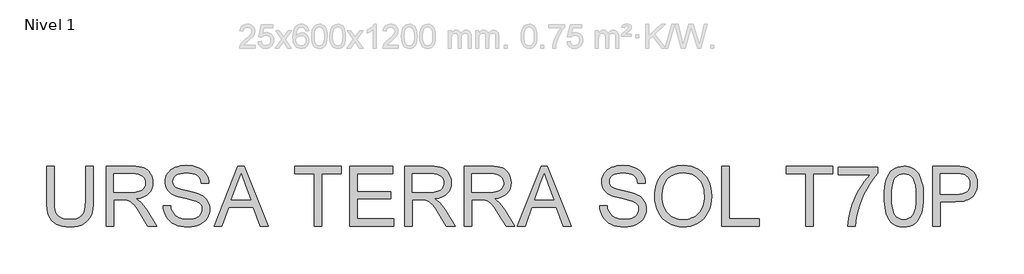
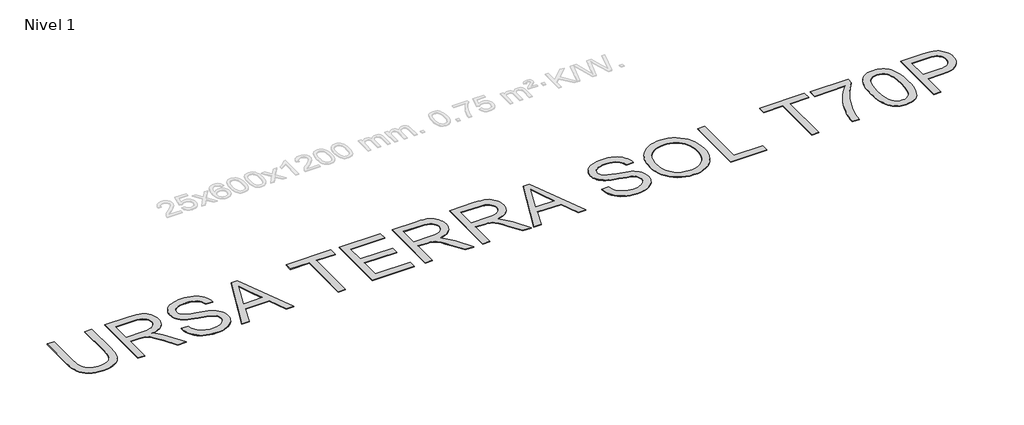
# One storey, part 2 of 3: 1 proxy.
"""IFC4 building model written with IfcOpenShell, lengths in millimetres."""

from ifc_helpers import new_model, si_unit, origin, origin_with_axes, place, context, project, spatial, polyline, outline, extrude, element, save

model = new_model("IFC4")

# Units and contexts
model_context = context("Model", 3, world=origin())
ifc_project = project(units=[si_unit("LENGTHUNIT", "METRE", prefix="MILLI")], contexts=[model_context])

# Site, building, storey
site = spatial("IfcSite", under=ifc_project)
building = spatial("IfcBuilding", under=site)
storey = spatial("IfcBuildingStorey", under=building, Name="Nivel 1", Elevation=0.0)

# Proxy
placement = place(None, origin())
element("IfcBuildingElementProxy", 1, Name="Texto de modelo 2", ObjectType="Texto de modelo 2", at=placement, inside=storey, context=model_context, shape_type="SweptSolid", body=[
    extrude(outline(polyline([(-2904.4273553, -2380.2770245), (-2778.8569676, -2380.2770245), (-2778.8569676, -2959.8137943), (-2780.9876175, -3031.573776), (-2787.3795671, -3095.5315937), (-2798.0328166, -3151.6872474), (-2812.9473658, -3200.0407371), (-2833.4108018, -3242.4238086), (-2860.7107115, -3280.6682077), (-2894.847095, -3314.7739344), (-2935.8199522, -3344.7409886), (-2983.6752684, -3369.1514918), (-3038.4590288, -3386.5875655), (-3100.1712335, -3397.0492097), (-3168.8118825, -3400.5364245), (-3235.7587414, -3397.501398), (-3296.3136506, -3388.3963187), (-3350.4766102, -3373.2211864), (-3398.2476201, -3351.9760011), (-3439.6343446, -3324.9749955), (-3474.6444478, -3292.5324021), (-3503.2779297, -3254.6482208), (-3525.5347904, -3211.3224516), (-3542.2197718, -3161.0682383), (-3554.1376156, -3102.3987242), (-3561.2883218, -3035.3139096), (-3563.6718906, -2959.8137943), (-3563.6718906, -2380.2770245), (-3438.1015029, -2380.2770245), (-3438.1015029, -2955.3992103), (-3436.5533329, -3016.1074037), (-3431.9088227, -3068.2470123), (-3424.1679724, -3111.8180362), (-3413.3307819, -3146.8204752), (-3398.722801, -3175.7835181), (-3379.6695794, -3201.2363536), (-3356.1711169, -3223.1789818), (-3328.2274137, -3241.6114026), (-3296.3749643, -3256.2040551), (-3261.1502632, -3266.6273782), (-3222.5533106, -3272.8813722), (-3180.5841063, -3274.9660368), (-3111.376306, -3270.8426928), (-3052.8677403, -3258.4726607), (-3005.0584093, -3237.8559405), (-2985.1659569, -3224.4550724), (-2967.9483131, -3208.9925323), (-2953.0605886, -3190.5984326), (-2940.157894, -3168.4028855), (-2920.3075947, -3112.6074496), (-2908.3974151, -3041.6062245), (-2904.4273553, -2955.3992103), (-2904.4273553, -2380.2770245)])), origin_with_axes(), (0.0, 0.0, 1.0), 10.0),
    extrude(outline(polyline([(-2559.1087891, -3384.840126), (-2559.1087891, -2380.2770245), (-2126.2343081, -2380.2770245), (-2064.100572, -2381.9708146), (-2009.8916271, -2387.0521846), (-1963.6074736, -2395.5211347), (-1925.2481114, -2407.3776648), (-1892.5832559, -2423.5338158), (-1863.3826226, -2444.9016284), (-1837.6462113, -2471.4811025), (-1815.3740222, -2503.2722383), (-1797.4014539, -2538.5659172), (-1784.5639051, -2575.6530208), (-1776.8613758, -2614.5335492), (-1774.2938661, -2655.2075023), (-1778.5475016, -2706.8029521), (-1791.3084083, -2754.167759), (-1812.5765862, -2797.3019229), (-1842.3520352, -2836.2054439), (-1881.0179657, -2869.6367202), (-1928.9575882, -2896.3541501), (-1986.1709027, -2916.3577336), (-2052.6579091, -2929.6474707), (-2011.2711846, -2956.6867973), (-1981.288802, -2983.358242), (-1929.8466364, -3044.3653395), (-1879.5081167, -3112.6074496), (-1711.9991816, -3384.840126), (-1857.9257063, -3384.840126), (-1988.6464419, -3176.6189168), (-2040.9469989, -3097.1564058), (-2083.0694874, -3038.7857959), (-2118.1715611, -2998.5946879), (-2149.4108738, -2973.6706828), (-2178.9947176, -2959.0473734), (-2209.1303844, -2949.7583531), (-2281.9710194, -2945.3437691), (-2433.5384014, -2945.3437691), (-2433.5384014, -3384.840126), (-2559.1087891, -3384.840126)]), holes=[polyline([(-2433.5384014, -2819.7733814), (-2152.4765571, -2819.7733814), (-2071.757116, -2815.3281407), (-2009.1252063, -2801.9924183), (-1983.9406181, -2791.7683646), (-1961.9749973, -2778.8771663), (-1943.2283439, -2763.3188236), (-1927.7006581, -2745.0933364), (-1915.5222312, -2725.0974171), (-1906.8233548, -2704.2277781), (-1901.604029, -2682.4844194), (-1899.8642538, -2659.8673409), (-1903.1828559, -2627.7543084), (-1913.1386624, -2598.6149887), (-1929.7316732, -2572.4493818), (-1952.9618884, -2549.2574877), (-1983.3658025, -2530.2655797), (-2021.47991, -2516.6999311), (-2067.304211, -2508.5605419), (-2120.8387055, -2505.8474122), (-2433.5384014, -2505.8474122), (-2433.5384014, -2819.7733814)])]), origin_with_axes(), (0.0, 0.0, 1.0), 10.0),
    extrude(outline(polyline([(-1601.634583, -3039.5215599), (-1476.0641953, -3039.5215599), (-1470.3160391, -3076.072169), (-1461.6554838, -3109.2045411), (-1450.0825294, -3138.9186765), (-1435.5971758, -3165.2145749), (-1417.4636592, -3188.6210669), (-1394.9462154, -3209.6669827), (-1368.0448445, -3228.3523223), (-1336.7595465, -3244.6770859), (-1302.2399526, -3257.9285019), (-1265.6356941, -3267.3937991), (-1226.9467709, -3273.0729774), (-1186.1731831, -3274.9660368), (-1116.2142904, -3269.233209), (-1084.4997967, -3262.0671744), (-1054.9619382, -3252.0347258), (-1028.3288146, -3239.4960811), (-1005.3285256, -3224.8114581), (-985.9610714, -3207.9808569), (-970.2264519, -3189.0042773), (-958.0480251, -3168.7017897), (-949.3491487, -3147.8934643), (-944.1298229, -3126.5793012), (-942.3900476, -3104.7593004), (-947.6017092, -3062.7287824), (-963.236694, -3026.4004354), (-976.3884754, -3010.2826055), (-994.997173, -2995.4063773), (-1019.0627868, -2981.7717509), (-1048.5853169, -2969.3787261), (-1114.8960465, -2949.6663826), (-1231.4226685, -2921.4314394), (-1351.4441694, -2889.7016174), (-1395.2451195, -2874.4115219), (-1428.2395359, -2859.5046369), (-1461.770447, -2839.5010534), (-1490.7488183, -2817.2595211), (-1515.1746499, -2792.78004), (-1535.0479419, -2766.0626101), (-1550.4453362, -2737.3831429), (-1561.443475, -2707.0175499), (-1568.0423583, -2674.9658311), (-1570.2419861, -2641.2279864), (-1567.5211922, -2603.8343145), (-1559.3588104, -2567.6822442), (-1545.7548408, -2532.7717757), (-1526.7092833, -2499.102909), (-1502.4367358, -2468.0475372), (-1473.1517962, -2440.9775537), (-1438.8544643, -2417.8929585), (-1399.5447403, -2398.7937516), (-1356.5485321, -2383.8255529), (-1311.1917478, -2373.1339825), (-1263.4743873, -2366.7190402), (-1213.3964508, -2364.5807261), (-1158.7659745, -2366.8186749), (-1107.4464361, -2373.5325213), (-1059.4378358, -2384.7222653), (-1014.7401734, -2400.3879069), (-974.1811834, -2420.3914904), (-938.5886004, -2444.59506), (-907.9624243, -2472.9986157), (-882.3026551, -2505.6021576), (-861.8085623, -2541.4553237), (-846.6794152, -2579.6077523), (-836.9152139, -2620.0594433), (-832.5159584, -2662.8103968), (-958.0863461, -2662.8103968), (-966.4863183, -2622.7419162), (-981.1402845, -2587.8850971), (-1002.0482445, -2558.2399397), (-1029.2101985, -2533.8064439), (-1063.1319841, -2514.7072369), (-1104.3194392, -2501.0649463), (-1152.7725636, -2492.8795719), (-1208.4913575, -2490.1511138), (-1265.9882476, -2492.8489151), (-1315.1158224, -2500.942319), (-1355.8740818, -2514.4313254), (-1388.2630258, -2533.3159345), (-1412.9417763, -2556.0173193), (-1430.5694552, -2580.9566529), (-1441.1460626, -2608.1339353), (-1444.6715984, -2637.5491665), (-1442.1730665, -2662.8563821), (-1434.6774709, -2685.8030215), (-1422.1848114, -2706.3890848), (-1404.6950882, -2724.614572), (-1377.1652523, -2741.874369), (-1333.8164905, -2759.3181069), (-1274.648803, -2776.9457858), (-1199.6621896, -2794.7574058), (-1061.2159321, -2828.4186083), (-1012.5022246, -2843.6397259), (-977.4614645, -2857.7878543), (-938.9641466, -2879.2323089), (-905.8777596, -2903.343908), (-878.2023037, -2930.1226516), (-855.9377788, -2959.5685396), (-838.8236018, -2991.5282879), (-826.5991897, -3025.8486124), (-819.2645424, -3062.529513), (-816.81966, -3101.5709897), (-819.6324244, -3140.8500569), (-828.0707176, -3178.9794929), (-842.1345397, -3215.9592976), (-861.8238907, -3251.7894711), (-886.7938811, -3285.0827917), (-916.6996216, -3314.4520376), (-951.5411123, -3339.897209), (-991.318353, -3361.4183057), (-1034.8740484, -3378.5324827), (-1081.050903, -3390.7568948), (-1129.8489168, -3398.0915421), (-1181.2680898, -3400.5364245), (-1245.501819, -3397.8999369), (-1304.2939604, -3389.990474), (-1357.6445139, -3376.8080358), (-1405.5534796, -3358.3526224), (-1448.3120973, -3334.5935769), (-1486.211607, -3305.5002424), (-1519.2520087, -3271.072619), (-1547.4333024, -3231.3107067), (-1570.1346872, -3187.5020925), (-1586.7353622, -3140.9343632), (-1597.2353275, -3091.607519), (-1601.634583, -3039.5215599)])), origin_with_axes(), (0.0, 0.0, 1.0), 10.0),
    extrude(outline(polyline([(-745.4505529, -3384.840126), (-344.4591781, -2380.2770245), (-237.5281449, -2380.2770245), (163.4632299, -3384.840126), (30.7804569, -3384.840126), (-84.2439802, -3070.9141568), (-497.9885975, -3070.9141568), (-612.76778, -3384.840126), (-745.4505529, -3384.840126)]), holes=[polyline([(-451.8807207, -2945.3437691), (-130.1066023, -2945.3437691), (-220.6055731, -2698.372323), (-290.9936615, -2505.8474122), (-353.5336007, -2676.7899126), (-451.8807207, -2945.3437691)])]), origin_with_axes(), (0.0, 0.0, 1.0), 10.0),
    extrude(outline(polyline([(941.1657677, -3384.840126), (941.1657677, -2505.8474122), (611.5435, -2505.8474122), (611.5435, -2380.2770245), (1396.358423, -2380.2770245), (1396.358423, -2505.8474122), (1066.7361554, -2505.8474122), (1066.7361554, -3384.840126), (941.1657677, -3384.840126)])), origin_with_axes(), (0.0, 0.0, 1.0), 10.0),
    extrude(outline(polyline([(1537.6251092, -3384.840126), (1537.6251092, -2380.2770245), (2259.6548384, -2380.2770245), (2259.6548384, -2505.8474122), (1663.1954969, -2505.8474122), (1663.1954969, -2804.077083), (2228.2622415, -2804.077083), (2228.2622415, -2929.6474707), (1663.1954969, -2929.6474707), (1663.1954969, -3259.2697383), (2275.3511368, -3259.2697383), (2275.3511368, -3384.840126), (1537.6251092, -3384.840126)])), origin_with_axes(), (0.0, 0.0, 1.0), 10.0),
    extrude(outline(polyline([(2463.7067184, -3384.840126), (2463.7067184, -2380.2770245), (2896.5811994, -2380.2770245), (2958.7149355, -2381.9708146), (3012.9238803, -2387.0521846), (3059.2080339, -2395.5211347), (3097.5673961, -2407.3776648), (3130.2322515, -2423.5338158), (3159.4328849, -2444.9016284), (3185.1692962, -2471.4811025), (3207.4414853, -2503.2722383), (3225.4140536, -2538.5659172), (3238.2516024, -2575.6530208), (3245.9541317, -2614.5335492), (3248.5216414, -2655.2075023), (3244.2680058, -2706.8029521), (3231.5070991, -2754.167759), (3210.2389213, -2797.3019229), (3180.4634723, -2836.2054439), (3141.7975418, -2869.6367202), (3093.8579193, -2896.3541501), (3036.6446048, -2916.3577336), (2970.1575984, -2929.6474707), (3011.5443229, -2956.6867973), (3041.5267055, -2983.358242), (3092.9688711, -3044.3653395), (3143.3073908, -3112.6074496), (3310.8163259, -3384.840126), (3164.8898012, -3384.840126), (3034.1690656, -3176.6189168), (2981.8685086, -3097.1564058), (2939.7460201, -3038.7857959), (2904.6439464, -2998.5946879), (2873.4046337, -2973.6706828), (2843.8207899, -2959.0473734), (2813.6851231, -2949.7583531), (2740.8444881, -2945.3437691), (2589.2771061, -2945.3437691), (2589.2771061, -3384.840126), (2463.7067184, -3384.840126)]), holes=[polyline([(2589.2771061, -2819.7733814), (2870.3389504, -2819.7733814), (2951.0583915, -2815.3281407), (3013.6903012, -2801.9924183), (3038.8748894, -2791.7683646), (3060.8405102, -2778.8771663), (3079.5871635, -2763.3188236), (3095.1148494, -2745.0933364), (3107.2932763, -2725.0974171), (3115.9921526, -2704.2277781), (3121.2114785, -2682.4844194), (3122.9512537, -2659.8673409), (3119.6326516, -2627.7543084), (3109.6768451, -2598.6149887), (3093.0838342, -2572.4493818), (3069.8536191, -2549.2574877), (3039.449705, -2530.2655797), (3001.3355975, -2516.6999311), (2955.5112965, -2508.5605419), (2901.976802, -2505.8474122), (2589.2771061, -2505.8474122), (2589.2771061, -2819.7733814)])]), origin_with_axes(), (0.0, 0.0, 1.0), 10.0),
    extrude(outline(polyline([(3468.2698199, -3384.840126), (3468.2698199, -2380.2770245), (3901.1443009, -2380.2770245), (3963.278037, -2381.9708146), (4017.4869818, -2387.0521846), (4063.7711353, -2395.5211347), (4102.1304976, -2407.3776648), (4134.795353, -2423.5338158), (4163.9959864, -2444.9016284), (4189.7323977, -2471.4811025), (4212.0045868, -2503.2722383), (4229.9771551, -2538.5659172), (4242.8147039, -2575.6530208), (4250.5172332, -2614.5335492), (4253.0847429, -2655.2075023), (4248.8311073, -2706.8029521), (4236.0702006, -2754.167759), (4214.8020228, -2797.3019229), (4185.0265738, -2836.2054439), (4146.3606433, -2869.6367202), (4098.4210208, -2896.3541501), (4041.2077063, -2916.3577336), (3974.7206999, -2929.6474707), (4016.1074243, -2956.6867973), (4046.089807, -2983.358242), (4097.5319726, -3044.3653395), (4147.8704923, -3112.6074496), (4315.3794274, -3384.840126), (4169.4529027, -3384.840126), (4038.7321671, -3176.6189168), (3986.4316101, -3097.1564058), (3944.3091216, -3038.7857959), (3909.2070479, -2998.5946879), (3877.9677352, -2973.6706828), (3848.3838914, -2959.0473734), (3818.2482246, -2949.7583531), (3745.4075896, -2945.3437691), (3593.8402076, -2945.3437691), (3593.8402076, -3384.840126), (3468.2698199, -3384.840126)]), holes=[polyline([(3593.8402076, -2819.7733814), (3874.9020519, -2819.7733814), (3955.621493, -2815.3281407), (4018.2534027, -2801.9924183), (4043.4379909, -2791.7683646), (4065.4036117, -2778.8771663), (4084.150265, -2763.3188236), (4099.6779509, -2745.0933364), (4111.8563778, -2725.0974171), (4120.5552541, -2704.2277781), (4125.77458, -2682.4844194), (4127.5143552, -2659.8673409), (4124.1957531, -2627.7543084), (4114.2399466, -2598.6149887), (4097.6469357, -2572.4493818), (4074.4167206, -2549.2574877), (4044.0128065, -2530.2655797), (4005.898699, -2516.6999311), (3960.074398, -2508.5605419), (3906.5399035, -2505.8474122), (3593.8402076, -2505.8474122), (3593.8402076, -2819.7733814)])]), origin_with_axes(), (0.0, 0.0, 1.0), 10.0),
    extrude(outline(polyline([(4355.8464469, -3384.840126), (4756.8378216, -2380.2770245), (4863.7688549, -2380.2770245), (5264.7602296, -3384.840126), (5132.0774567, -3384.840126), (5017.0530196, -3070.9141568), (4603.3084023, -3070.9141568), (4488.5292198, -3384.840126), (4355.8464469, -3384.840126)]), holes=[polyline([(4649.416279, -2945.3437691), (4971.1903975, -2945.3437691), (4880.6914267, -2698.372323), (4810.3033383, -2505.8474122), (4747.7633991, -2676.7899126), (4649.416279, -2945.3437691)])]), origin_with_axes(), (0.0, 0.0, 1.0), 10.0),
    extrude(outline(polyline([(5744.2330967, -3039.5215599), (5869.8034844, -3039.5215599), (5875.5516406, -3076.072169), (5884.2121959, -3109.2045411), (5895.7851503, -3138.9186765), (5910.2705038, -3165.2145749), (5928.4040205, -3188.6210669), (5950.9214643, -3209.6669827), (5977.8228352, -3228.3523223), (6009.1081332, -3244.6770859), (6043.6277271, -3257.9285019), (6080.2319856, -3267.3937991), (6118.9209088, -3273.0729774), (6159.6944966, -3274.9660368), (6229.6533893, -3269.233209), (6261.367883, -3262.0671744), (6290.9057415, -3252.0347258), (6317.5388651, -3239.4960811), (6340.539154, -3224.8114581), (6359.9066082, -3207.9808569), (6375.6412277, -3189.0042773), (6387.8196546, -3168.7017897), (6396.518531, -3147.8934643), (6401.7378568, -3126.5793012), (6403.477632, -3104.7593004), (6398.2659705, -3062.7287824), (6382.6309857, -3026.4004354), (6369.4792043, -3010.2826055), (6350.8705067, -2995.4063773), (6326.8048929, -2981.7717509), (6297.2823628, -2969.3787261), (6230.9716331, -2949.6663826), (6114.4450112, -2921.4314394), (5994.4235102, -2889.7016174), (5950.6225602, -2874.4115219), (5917.6281438, -2859.5046369), (5884.0972327, -2839.5010534), (5855.1188614, -2817.2595211), (5830.6930298, -2792.78004), (5810.8197378, -2766.0626101), (5795.4223435, -2737.3831429), (5784.4242047, -2707.0175499), (5777.8253214, -2674.9658311), (5775.6256936, -2641.2279864), (5778.3464875, -2603.8343145), (5786.5088693, -2567.6822442), (5800.1128389, -2532.7717757), (5819.1583964, -2499.102909), (5843.4309438, -2468.0475372), (5872.7158835, -2440.9775537), (5907.0132153, -2417.8929585), (5946.3229394, -2398.7937516), (5989.3191476, -2383.8255529), (6034.6759319, -2373.1339825), (6082.3932923, -2366.7190402), (6132.4712289, -2364.5807261), (6187.1017052, -2366.8186749), (6238.4212435, -2373.5325213), (6286.4298439, -2384.7222653), (6331.1275063, -2400.3879069), (6371.6864963, -2420.3914904), (6407.2790793, -2444.59506), (6437.9052554, -2472.9986157), (6463.5650246, -2505.6021576), (6484.0591174, -2541.4553237), (6499.1882645, -2579.6077523), (6508.9524657, -2620.0594433), (6513.3517213, -2662.8103968), (6387.7813336, -2662.8103968), (6379.3813614, -2622.7419162), (6364.7273952, -2587.8850971), (6343.8194352, -2558.2399397), (6316.6574812, -2533.8064439), (6282.7356955, -2514.7072369), (6241.5482405, -2501.0649463), (6193.0951161, -2492.8795719), (6137.3763222, -2490.1511138), (6079.879432, -2492.8489151), (6030.7518573, -2500.942319), (5989.9935979, -2514.4313254), (5957.6046539, -2533.3159345), (5932.9259034, -2556.0173193), (5915.2982244, -2580.9566529), (5904.7216171, -2608.1339353), (5901.1960813, -2637.5491665), (5903.6946132, -2662.8563821), (5911.1902088, -2685.8030215), (5923.6828683, -2706.3890848), (5941.1725914, -2724.614572), (5968.7024274, -2741.874369), (6012.0511892, -2759.3181069), (6071.2188767, -2776.9457858), (6146.2054901, -2794.7574058), (6284.6517476, -2828.4186083), (6333.3654551, -2843.6397259), (6368.4062152, -2857.7878543), (6406.9035331, -2879.2323089), (6439.9899201, -2903.343908), (6467.665376, -2930.1226516), (6489.9299009, -2959.5685396), (6507.0440779, -2991.5282879), (6519.26849, -3025.8486124), (6526.6031373, -3062.529513), (6529.0480197, -3101.5709897), (6526.2352553, -3140.8500569), (6517.796962, -3178.9794929), (6503.7331399, -3215.9592976), (6484.043789, -3251.7894711), (6459.0737986, -3285.0827917), (6429.168058, -3314.4520376), (6394.3265674, -3339.897209), (6354.5493267, -3361.4183057), (6310.9936313, -3378.5324827), (6264.8167767, -3390.7568948), (6216.0187629, -3398.0915421), (6164.5995898, -3400.5364245), (6100.3658606, -3397.8999369), (6041.5737193, -3389.990474), (5988.2231658, -3376.8080358), (5940.3142001, -3358.3526224), (5897.5555824, -3334.5935769), (5859.6560727, -3305.5002424), (5826.615671, -3271.072619), (5798.4343773, -3231.3107067), (5775.7329925, -3187.5020925), (5759.1323175, -3140.9343632), (5748.6323522, -3091.607519), (5744.2330967, -3039.5215599)])), origin_with_axes(), (0.0, 0.0, 1.0), 10.0),
    extrude(outline(polyline([(6670.3147059, -2895.8023271), (6672.4070347, -2835.1976005), (6678.6840213, -2777.9727897), (6689.1456655, -2724.1278948), (6703.7919674, -2673.6629157), (6722.6229271, -2626.5778524), (6745.6385444, -2582.872705), (6772.8388194, -2542.5474733), (6804.2237521, -2505.6021576), (6838.9157907, -2472.5502596), (6876.0373833, -2443.9052813), (6915.5885299, -2419.6672227), (6957.5692305, -2399.8360839), (7001.9794851, -2384.4118649), (7048.8192937, -2373.3945655), (7098.0886563, -2366.7841859), (7149.7875729, -2364.5807261), (7217.3705611, -2368.7193985), (7281.5506409, -2381.1354159), (7342.3278122, -2401.8287781), (7399.702075, -2430.7994852), (7452.0639456, -2467.1738175), (7497.8039404, -2510.0780552), (7536.9220592, -2559.5121983), (7569.4183021, -2615.4762468), (7594.9554439, -2676.6979421), (7613.1962595, -2741.9050258), (7624.1407489, -2811.0974977), (7627.788912, -2884.2753579), (7623.9491437, -2958.4189084), (7612.4298387, -3028.5464137), (7593.2309971, -3094.6578739), (7566.3526188, -3156.753289), (7532.4308332, -3213.1925184), (7492.1017694, -3262.3354216), (7445.3654276, -3304.1819986), (7392.2218078, -3338.7322493), (7334.7632386, -3365.7715759), (7275.0820491, -3385.0853807), (7213.1782392, -3396.6736635), (7149.0518089, -3400.5364245), (7080.2885327, -3396.2674605), (7015.26539, -3383.4605686), (6953.982381, -3362.1157486), (6896.4395056, -3332.2330007), (6844.1389486, -3294.9696203), (6798.5828949, -3251.4829028), (6759.7713444, -3201.7728482), (6727.7042971, -3145.8394565), (6702.596351, -3085.9283407), (6684.6621037, -3024.2851139), (6673.9015553, -2960.909776), (6670.3147059, -2895.8023271)]), holes=[polyline([(6795.8850936, -2897.0286004), (6797.4543402, -2939.8217071), (6802.1620801, -2980.2772303), (6810.0083133, -3018.3951699), (6820.9930397, -3054.175526), (6835.1162595, -3087.6182987), (6852.3779725, -3118.7234878), (6872.7781787, -3147.4910934), (6896.3168783, -3173.9211155), (6922.2238181, -3197.6035189), (6949.7287454, -3218.1282686), (6978.8316601, -3235.4953644), (7009.5325623, -3249.7048065), (7041.8314518, -3260.7565947), (7075.7283288, -3268.6507292), (7111.2231932, -3273.3872099), (7148.3160449, -3274.9660368), (7186.0871792, -3273.3718815), (7222.1453629, -3268.5894156), (7256.490596, -3260.618639), (7289.1228786, -3249.4595518), (7320.0422107, -3235.112154), (7349.2485922, -3217.5764456), (7376.7420232, -3196.8524265), (7402.5225036, -3172.9400968), (7425.8887585, -3146.0962075), (7446.1395127, -3116.5775095), (7463.2747662, -3084.3840028), (7477.2945191, -3049.5156874), (7488.1987714, -3011.9725634), (7495.987523, -2971.7546307), (7500.660774, -2928.8618893), (7502.2185243, -2883.2943393), (7499.5513798, -2825.8281059), (7491.5499464, -2772.1326631), (7478.2142241, -2722.2080106), (7459.5442129, -2676.0541487), (7435.7468463, -2634.2765496), (7407.0290581, -2597.4806859), (7373.3908481, -2565.6665575), (7334.8322165, -2538.8341645), (7292.5487797, -2517.5353298), (7247.7361541, -2502.3218764), (7200.3943399, -2493.1938044), (7150.5233369, -2490.1511138), (7080.4571453, -2496.0142331), (7015.449331, -2513.603591), (6984.8423154, -2526.7956094), (6955.4998942, -2542.9191874), (6900.6088349, -2583.9610225), (6876.064208, -2609.373621), (6854.792198, -2638.7064619), (6836.792805, -2671.9595454), (6822.0660289, -2709.1328714), (6810.6118697, -2750.2264399), (6802.4303274, -2795.2402509), (6797.521402, -2844.1743044), (6795.8850936, -2897.0286004)])]), origin_with_axes(), (0.0, 0.0, 1.0), 10.0),
    extrude(outline(polyline([(7800.4481951, -3384.840126), (7800.4481951, -2380.2770245), (7926.0185828, -2380.2770245), (7926.0185828, -3259.2697383), (8428.3001335, -3259.2697383), (8428.3001335, -3384.840126), (7800.4481951, -3384.840126)])), origin_with_axes(), (0.0, 0.0, 1.0), 10.0),
    extrude(outline(polyline([(9213.1150565, -3384.840126), (9213.1150565, -2505.8474122), (8883.4927889, -2505.8474122), (8883.4927889, -2380.2770245), (9668.3077119, -2380.2770245), (9668.3077119, -2505.8474122), (9338.6854442, -2505.8474122), (9338.6854442, -3384.840126), (9213.1150565, -3384.840126)])), origin_with_axes(), (0.0, 0.0, 1.0), 10.0),
    extrude(outline(polyline([(9762.4855027, -2521.5437107), (9762.4855027, -2395.973323), (10421.730038, -2395.973323), (10421.730038, -2497.5087537), (10374.6334784, -2552.9286434), (10327.7668451, -2616.4266086), (10281.130138, -2688.0026493), (10234.7233572, -2767.6567655), (10191.0603628, -2851.9400634), (10152.6550154, -2937.4036494), (10119.5073148, -3024.0475235), (10091.617261, -3111.8716856), (10075.0012576, -3175.6532265), (10061.6961921, -3242.4084802), (10051.7020646, -3312.1374467), (10045.018875, -3384.840126), (9919.4484873, -3384.840126), (9923.3955545, -3323.1739066), (9933.0294643, -3255.4069774), (9948.3502165, -3181.5393384), (9969.3578113, -3101.5709897), (9995.8069939, -3019.2957144), (10027.4525097, -2938.5072954), (10064.2943587, -2859.2057328), (10106.3325408, -2781.3910266), (10151.6739967, -2707.3471109), (10198.425667, -2639.3579196), (10246.5875515, -2577.4234529), (10296.1596503, -2521.5437107), (9762.4855027, -2521.5437107)])), origin_with_axes(), (0.0, 0.0, 1.0), 10.0),
    extrude(outline(polyline([(10531.6041273, -2890.6519792), (10533.9110539, -2806.1847402), (10540.831834, -2729.8568905), (10552.3664674, -2661.6684298), (10568.5149541, -2601.6193583), (10589.2083163, -2549.2191666), (10614.3775762, -2503.9773454), (10644.0227336, -2465.8938947), (10678.1437887, -2434.9688145), (10716.8557045, -2411.0411564), (10760.2734441, -2393.949972), (10808.3970076, -2383.6952614), (10861.2263949, -2380.2770245), (10900.9269936, -2382.3003755), (10938.6042413, -2388.3704284), (10974.258138, -2398.4871833), (11007.8886837, -2412.6506401), (11038.6834724, -2430.6232084), (11065.8300979, -2452.1672978), (11089.3285604, -2477.2829081), (11109.1788597, -2505.9700396), (11141.9203573, -2573.599013), (11168.0399789, -2654.5943656), (11178.018778, -2702.2274198), (11185.1464917, -2757.4480401), (11190.8486626, -2890.6519792), (11188.5647286, -2974.5827235), (11181.7129264, -3050.5273629), (11170.2932561, -3118.4858973), (11154.3057178, -3178.4583267), (11133.7733039, -3230.8815111), (11108.7190072, -3276.1923101), (11079.1428276, -3314.390724), (11045.0447652, -3345.4767525), (11006.2868642, -3369.565359), (10962.7311688, -3386.7715065), (10914.377679, -3397.095195), (10861.2263949, -3400.5364245), (10792.0645798, -3394.5583421), (10760.4267283, -3387.085739), (10730.750914, -3376.6240948), (10703.037137, -3363.1734094), (10677.2853973, -3346.7336827), (10653.495695, -3327.3049148), (10631.6680299, -3304.8871057), (10608.2155528, -3269.3903253), (10587.8900725, -3229.2413705), (10570.6915892, -3184.4402413), (10556.6201029, -3134.9869376), (10545.6756136, -3080.8814596), (10537.8581212, -3022.1238072), (10533.1676257, -2958.7139804), (10531.6041273, -2890.6519792)]), holes=[polyline([(10657.1745149, -2890.4067245), (10660.8533349, -2999.5680424), (10671.8897948, -3087.9286991), (10690.2838945, -3155.4886947), (10702.2400594, -3181.4684445), (10716.0356342, -3202.2480291), (10747.1829764, -3234.0621575), (10781.763884, -3256.7865349), (10819.7783568, -3270.4211613), (10861.2263949, -3274.9660368), (10902.6744331, -3270.4058329), (10940.6889059, -3256.7252212), (10975.2698134, -3233.9242017), (11006.4171557, -3202.0027744), (11020.2127305, -3181.1733725), (11032.1688954, -3155.1667979), (11050.5629951, -3087.6221308), (11061.599455, -2999.368773), (11065.2782749, -2890.4067245), (11061.7220823, -2784.1348132), (11051.0535044, -2697.3299907), (11033.2725413, -2629.9922572), (11021.7149153, -2603.6235488), (11008.379193, -2582.1216126), (10977.7530169, -2548.7516499), (10942.7735705, -2524.9159623), (10903.4408539, -2510.6145497), (10859.754867, -2505.8474122), (10818.5214267, -2510.0473983), (10781.1507473, -2522.6473567), (10747.6428289, -2543.6472872), (10717.9976715, -2573.04719), (10703.7422442, -2596.8368924), (10691.3875405, -2625.163806), (10672.3803041, -2695.4292671), (10660.9759622, -2783.8435732), (10657.1745149, -2890.4067245)])]), origin_with_axes(), (0.0, 0.0, 1.0), 10.0),
    extrude(outline(polyline([(11347.8116472, -3384.840126), (11347.8116472, -2380.2770245), (11720.1082263, -2380.2770245), (11806.8057499, -2382.6682575), (11870.2040804, -2389.8419564), (11905.1452057, -2397.3758731), (11937.1279467, -2407.71489), (11966.1523032, -2420.8590071), (11992.2182754, -2436.8082245), (12015.6017748, -2455.892103), (12036.5787127, -2478.4402036), (12055.1490892, -2504.4525263), (12071.3129044, -2533.9290712), (12084.4033721, -2565.8964837), (12093.7537061, -2599.3814095), (12099.3639065, -2634.3838485), (12101.2339733, -2670.9038007), (12096.1832601, -2732.5700202), (12081.0311204, -2789.3004895), (12055.7775543, -2841.0952087), (12020.4225617, -2887.9541779), (11998.1867776, -2908.7625032), (11971.885131, -2926.7963852), (11941.5176219, -2942.0558238), (11907.0842504, -2954.540819), (11868.5850164, -2964.2513708), (11826.0199199, -2971.1874793), (11728.6921396, -2976.736366), (11473.3820349, -2976.736366), (11473.3820349, -3384.840126), (11347.8116472, -3384.840126)]), holes=[polyline([(11473.3820349, -2851.1659784), (11736.0497795, -2851.1659784), (11796.4437403, -2848.2842361), (11847.3953967, -2839.6390092), (11888.9047485, -2825.2302977), (11920.9717957, -2805.0581016), (11944.8994538, -2779.6589155), (11961.9906382, -2749.569234), (11972.2453488, -2714.7890571), (11975.6635857, -2675.3183847), (11973.6478989, -2646.0104524), (11967.6008386, -2618.9098121), (11957.5224048, -2594.0164637), (11943.4125974, -2571.3304074), (11926.0225089, -2551.587407), (11906.1032317, -2535.5232265), (11883.6547658, -2523.137866), (11858.6771112, -2514.4313254), (11810.2393152, -2507.9933905), (11733.1067235, -2505.8474122), (11473.3820349, -2505.8474122), (11473.3820349, -2851.1659784)])]), origin_with_axes(), (0.0, 0.0, 1.0), 10.0),
])

save(model, "model.ifc")
